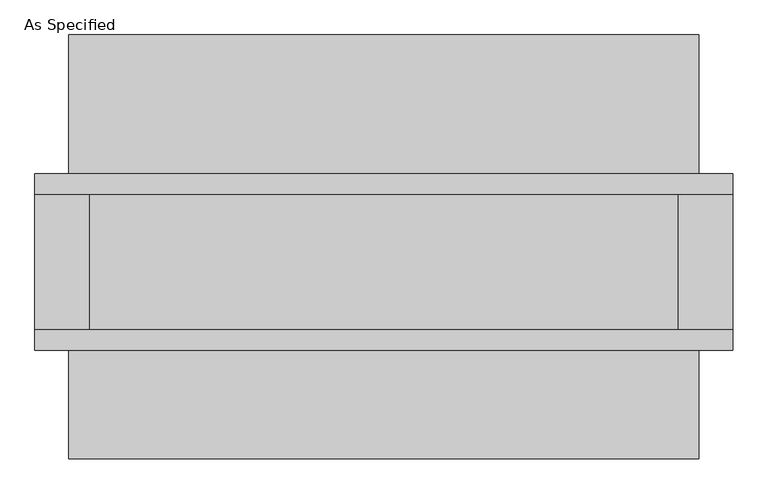
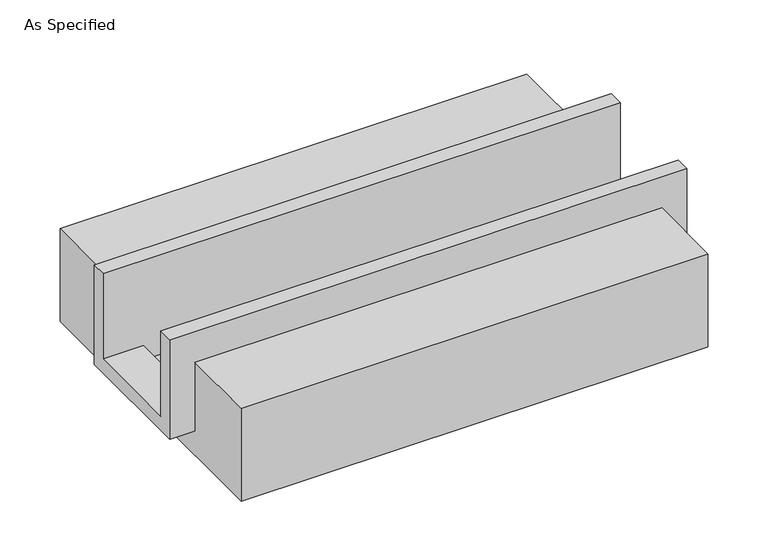
"""IFC4 building model written with IfcOpenShell, lengths in millimetres: proxy geometry, As Specified."""

from ifc_helpers import new_model, si_unit, frame, origin, place, context, project, spatial, polyline, outline, extrude, faceted_brep, source, transform, mapped, element, save


def as_specified_943f1219(model_context):
    return source(origin(), model_context, "Body", "SolidModel", [
        faceted_brep([(-1308.1, 196.85, 139.7), (-1308.1, 273.05, 139.7), (-1308.1, 273.05, -393.7), (-1308.1, -387.35, -393.7), (-1308.1, -387.35, 139.7), (-1308.1, -311.15, 139.7), (-1308.1, -311.15, -317.5), (-1308.1, 196.85, -317.5), (1308.1, 196.85, 139.7), (1308.1, 196.85, -317.5), (1308.1, -311.15, -317.5), (1308.1, -311.15, 139.7), (1308.1, -387.35, 139.7), (1308.1, -387.35, -393.7), (1308.1, 273.05, -393.7), (1308.1, 273.05, 139.7), (1104.9, -311.15, -393.7), (1104.9, 196.85, -393.7), (-1104.9, 196.85, -393.7), (-1104.9, -311.15, -393.7), (1104.9, -311.15, -317.5), (-1104.9, -311.15, -317.5), (-1104.9, 196.85, -317.5), (1104.9, 196.85, -317.5)], [[[0, 1, 2, 3, 4, 5, 6, 7]], [[8, 9, 10, 11, 12, 13, 14, 15]], [[1, 0, 8, 15]], [[2, 1, 15, 14]], [[3, 2, 14, 13], [16, 17, 18, 19]], [[4, 3, 13, 12]], [[5, 4, 12, 11]], [[6, 5, 11, 10, 20, 16, 19, 21]], [[7, 6, 21, 22]], [[10, 9, 23, 20]], [[0, 7, 22, 18, 17, 23, 9, 8]], [[16, 20, 23, 17]], [[21, 19, 18, 22]]]),
        extrude(outline(polyline([(793.75, -25.4), (793.75, -523.9742188), (-793.75, -523.9742188), (-793.75, -25.4), (-387.35, -25.4), (-387.35, -393.7), (273.05, -393.7), (273.05, -25.4), (793.75, -25.4)])), frame((-1181.1, 0.0, 0.0), z_axis=(1.0, 0.0, 0.0), x_axis=(0.0, 1.0, 0.0)), (0.0, 0.0, 1.0), 2362.2),
    ])


if __name__ == "__main__":
    model = new_model("IFC4")
    model_context = context("Model", 3, world=origin())
    ifc_project = project(units=[si_unit("LENGTHUNIT", "METRE", prefix="MILLI")], contexts=[model_context])
    site = spatial("IfcSite", under=ifc_project)
    building = spatial("IfcBuilding", under=site)
    placement = place(None, origin())
    as_specified_shape = as_specified_943f1219(model_context)
    element("IfcBuildingElementProxy", 1, Name="As Specified", ObjectType="As Specified", at=placement, inside=building, context=model_context, shape_type="MappedRepresentation", body=[
        mapped(as_specified_shape, transform((0.0, 0.0, 0.0), x_axis=(1.0, 0.0, 0.0), y_axis=(0.0, 1.0, 0.0), z_axis=(0.0, 0.0, 1.0))),
    ])
    save(model, "model.ifc")
